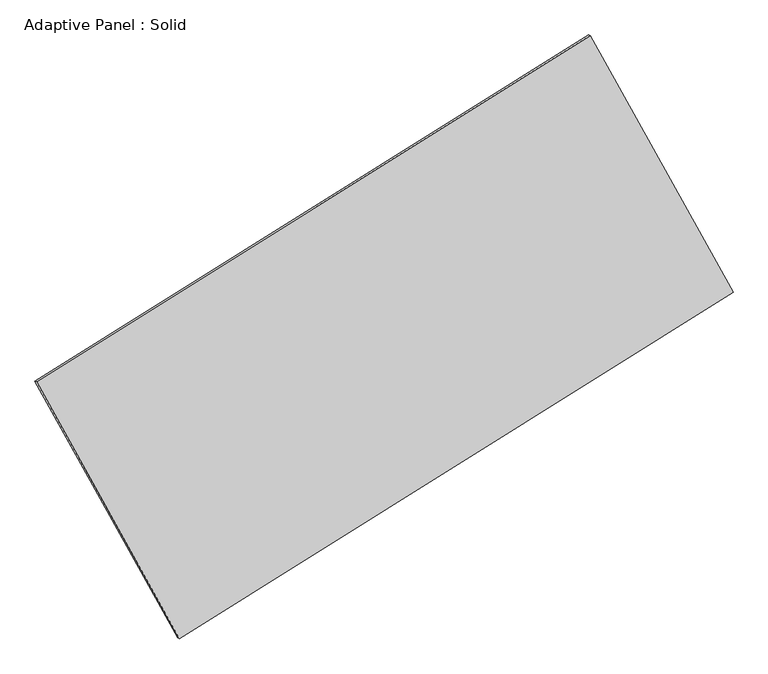
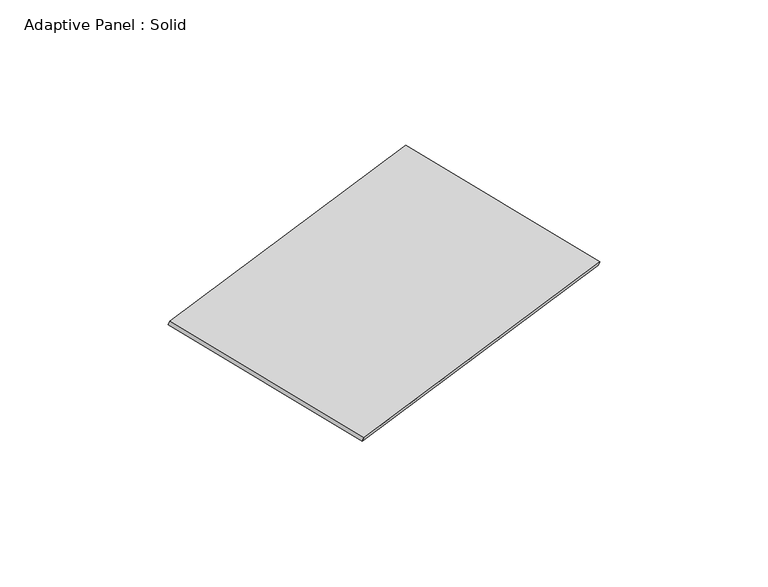
"""IFC4 building model written with IfcOpenShell, lengths in millimetres: plate geometry, Adaptive Panel : Solid."""

from ifc_helpers import new_model, si_unit, frame, origin, place, context, project, spatial, polyline, outline, extrude, source, transform, mapped, element, save


def adaptive_panel_solid_fd4684a0(model_context):
    return source(origin(), model_context, "Body", "SweptSolid", [
        extrude(outline(polyline([(-1345.7763135, 2941.3275242), (1346.0835525, 2941.3275242), (1345.7763061, -2941.4681145), (-1346.0835451, -2941.186934), (-1345.7763135, 2941.3275242)])), frame((-650.8226445, -100.0621432, 871.2806301), z_axis=(0.2933271166111754, -0.12760186928687045, 0.9474581603506671), x_axis=(0.4693220807389619, -0.8441914838259628, -0.2589932878793785)), (0.0, 0.0, 1.0), 50.0),
    ])


if __name__ == "__main__":
    model = new_model("IFC4")
    model_context = context("Model", 3, world=origin())
    ifc_project = project(units=[si_unit("LENGTHUNIT", "METRE", prefix="MILLI")], contexts=[model_context])
    site = spatial("IfcSite", under=ifc_project)
    building = spatial("IfcBuilding", under=site)
    placement = place(None, origin())
    adaptive_panel_solid_shape = adaptive_panel_solid_fd4684a0(model_context)
    element("IfcPlate", 1, ObjectType="Adaptive Panel : Solid", at=placement, inside=building, context=model_context, shape_type="MappedRepresentation", body=[
        mapped(adaptive_panel_solid_shape, transform((0.0, 0.0, 0.0), x_axis=(1.0, 0.0, 0.0), y_axis=(0.0, 1.0, 0.0), z_axis=(0.0, 0.0, 1.0))),
    ])
    save(model, "model.ifc")
